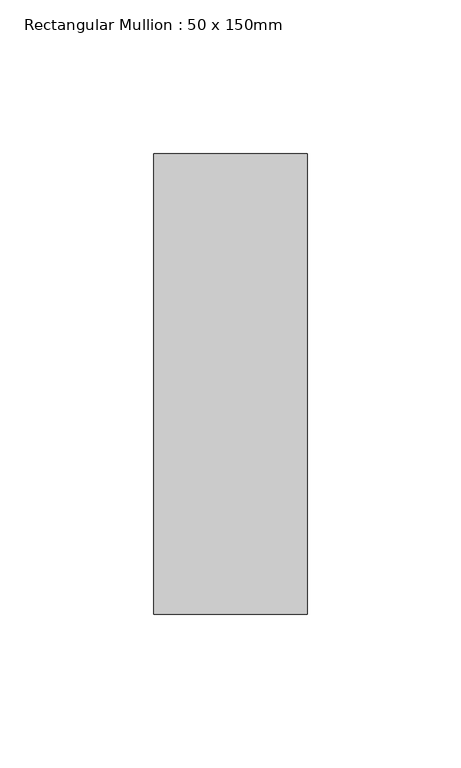
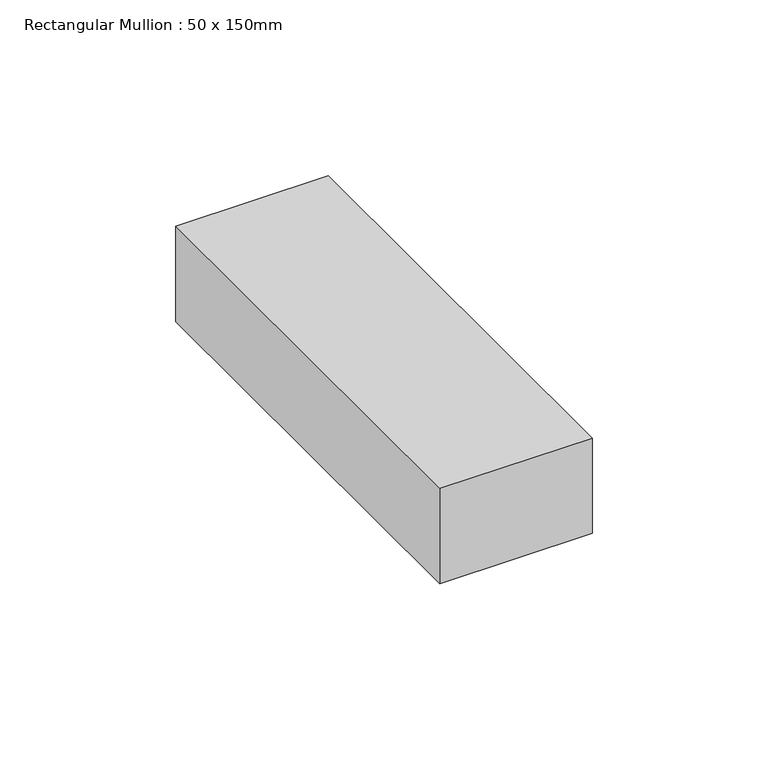
"""IFC4 building model written with IfcOpenShell, lengths in millimetres: member geometry, Rectangular Mullion : 50 x 150mm."""

from ifc_helpers import new_model, si_unit, frame, origin, place, context, project, spatial, polyline, outline, extrude, source, transform, mapped, element, save


def rectangular_mullion_50_x_150mm_40488e0d(model_context):
    return source(origin(), model_context, "Body", "SweptSolid", [
        extrude(outline(polyline([(25.0, 75.0), (25.0, -75.0), (-25.0, -75.0), (-25.0, 75.0), (25.0, 75.0)])), frame((0.0, 0.0, -33.0294338), z_axis=(0.0, 0.0, 1.0), x_axis=(1.0, 0.0, 0.0)), (0.0, 0.0, 1.0), 33.0294338),
    ])


if __name__ == "__main__":
    model = new_model("IFC4")
    model_context = context("Model", 3, world=origin())
    ifc_project = project(units=[si_unit("LENGTHUNIT", "METRE", prefix="MILLI")], contexts=[model_context])
    site = spatial("IfcSite", under=ifc_project)
    building = spatial("IfcBuilding", under=site)
    placement = place(None, origin())
    rectangular_mullion_50_x_150mm_shape = rectangular_mullion_50_x_150mm_40488e0d(model_context)
    element("IfcMember", 1, ObjectType="Rectangular Mullion : 50 x 150mm", at=placement, inside=building, context=model_context, shape_type="MappedRepresentation", body=[
        mapped(rectangular_mullion_50_x_150mm_shape, transform((0.0, 0.0, 0.0), x_axis=(1.0, 0.0, 0.0), y_axis=(0.0, 1.0, 0.0), z_axis=(0.0, 0.0, 1.0))),
    ])
    save(model, "model.ifc")
